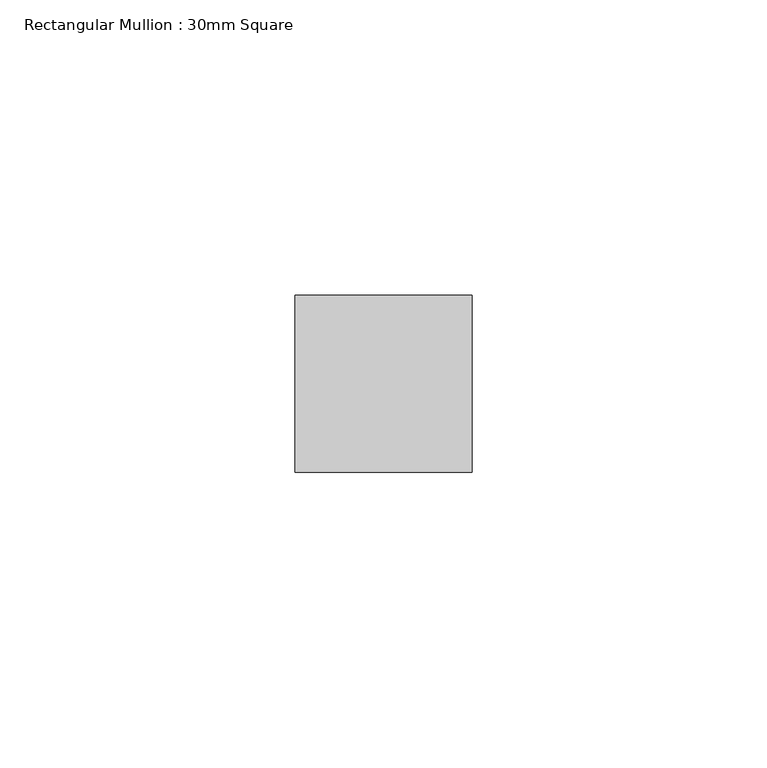
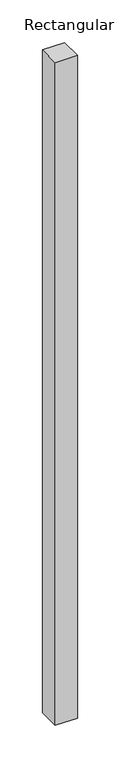
"""IFC4 building model written with IfcOpenShell, lengths in millimetres: member geometry, Rectangular Mullion : 30mm Square."""

from ifc_helpers import new_model, si_unit, frame, origin, place, context, project, spatial, polyline, outline, extrude, source, transform, mapped, element, save


def rectangular_mullion_30mm_square_7224735c(model_context):
    return source(origin(), model_context, "Body", "SweptSolid", [
        extrude(outline(polyline([(0.0, 15.0), (0.0, -15.0), (-30.0, -15.0), (-30.0, 15.0), (0.0, 15.0)])), frame((0.0, 0.0, -948.8380147), z_axis=(0.0, 0.0, 1.0), x_axis=(1.0, 0.0, 0.0)), (0.0, 0.0, 1.0), 948.8380147),
    ])


if __name__ == "__main__":
    model = new_model("IFC4")
    model_context = context("Model", 3, world=origin())
    ifc_project = project(units=[si_unit("LENGTHUNIT", "METRE", prefix="MILLI")], contexts=[model_context])
    site = spatial("IfcSite", under=ifc_project)
    building = spatial("IfcBuilding", under=site)
    placement = place(None, origin())
    rectangular_mullion_30mm_square_shape = rectangular_mullion_30mm_square_7224735c(model_context)
    element("IfcMember", 1, ObjectType="Rectangular Mullion : 30mm Square", at=placement, inside=building, context=model_context, shape_type="MappedRepresentation", body=[
        mapped(rectangular_mullion_30mm_square_shape, transform((0.0, 0.0, 0.0), x_axis=(1.0, 0.0, 0.0), y_axis=(0.0, 1.0, 0.0), z_axis=(0.0, 0.0, 1.0))),
    ])
    save(model, "model.ifc")
